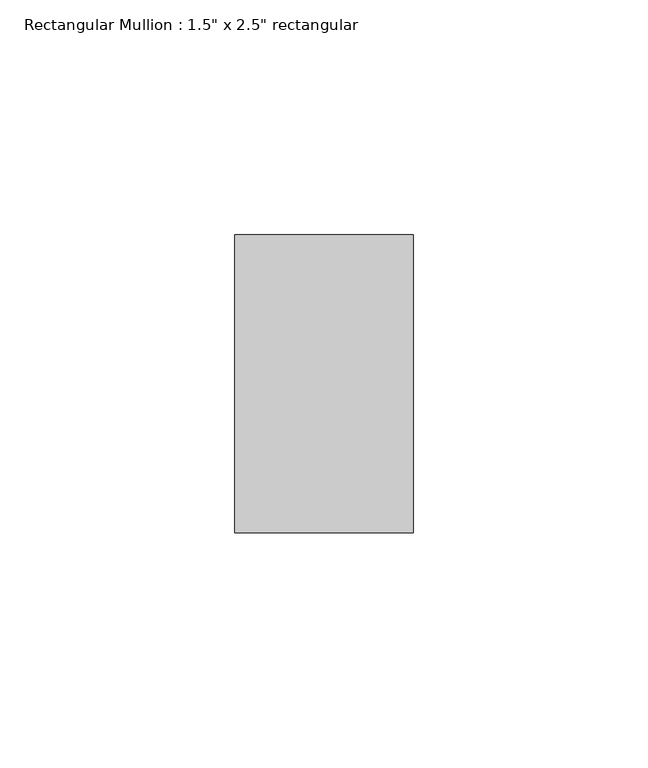
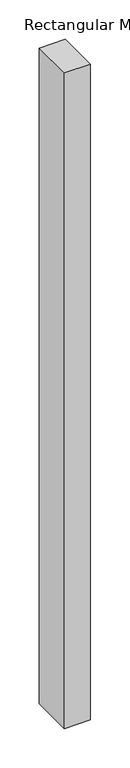
"""IFC4 building model written with IfcOpenShell, lengths in millimetres: member geometry."""

from ifc_helpers import new_model, si_unit, frame, origin, place, context, project, spatial, polyline, outline, extrude, source, transform, mapped, element, save


def member_129474a5(model_context):
    return source(origin(), model_context, "Body", "SweptSolid", [
        extrude(outline(polyline([(19.05, 31.75), (19.05, -31.75), (-19.05, -31.75), (-19.05, 31.75), (19.05, 31.75)])), frame((0.0, 0.0, -1016.0), z_axis=(0.0, 0.0, 1.0), x_axis=(1.0, 0.0, 0.0)), (0.0, 0.0, 1.0), 1016.0),
    ])


if __name__ == "__main__":
    model = new_model("IFC4")
    model_context = context("Model", 3, world=origin())
    ifc_project = project(units=[si_unit("LENGTHUNIT", "METRE", prefix="MILLI")], contexts=[model_context])
    site = spatial("IfcSite", under=ifc_project)
    building = spatial("IfcBuilding", under=site)
    placement = place(None, origin())
    member_shape = member_129474a5(model_context)
    element("IfcMember", 1, ObjectType="Rectangular Mullion : 1.5\" x 2.5\" rectangular", at=placement, inside=building, context=model_context, shape_type="MappedRepresentation", body=[
        mapped(member_shape, transform((0.0, 0.0, 0.0), x_axis=(1.0, 0.0, 0.0), y_axis=(0.0, 1.0, 0.0), z_axis=(0.0, 0.0, 1.0))),
    ])
    save(model, "model.ifc")
